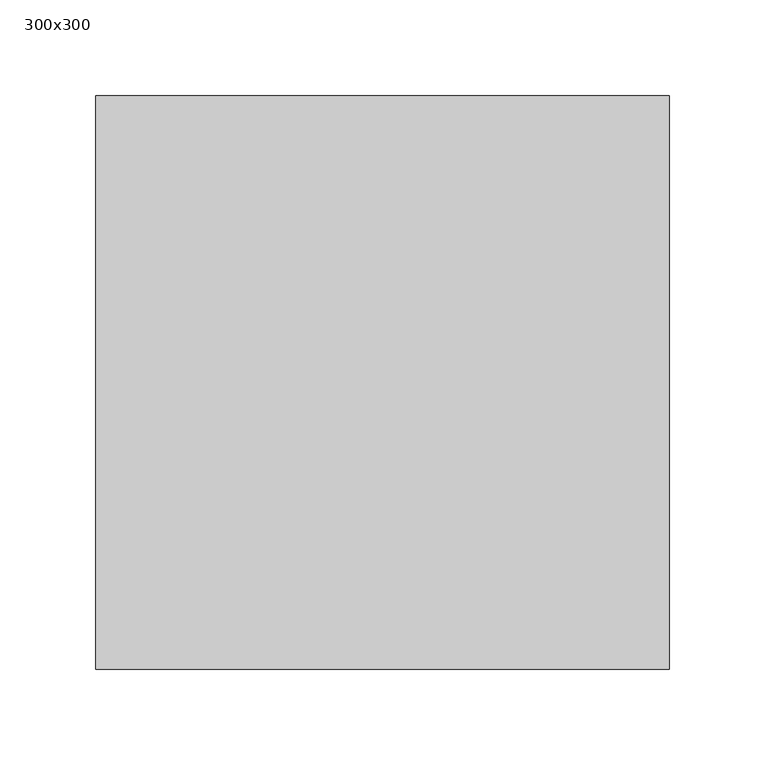
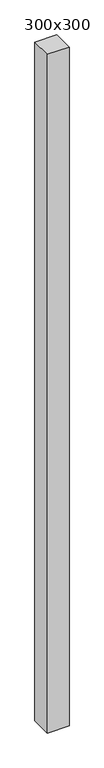
"""IFC4 building model written with IfcOpenShell, lengths in millimetres: column geometry, 300x300."""

from ifc_helpers import new_model, si_unit, frame, origin, place, context, project, spatial, polyline, outline, extrude, source, transform, mapped, element, save


def column_300x300_84cb1d97(model_context):
    return source(origin(), model_context, "Body", "SweptSolid", [
        extrude(outline(polyline([(150.0, 150.0), (150.0, -150.0), (-150.0, -150.0), (-150.0, 150.0), (150.0, 150.0)])), frame((0.0, 0.0, -3040.0), z_axis=(0.0, 0.0, 1.0), x_axis=(1.0, 0.0, 0.0)), (0.0, 0.0, 1.0), 9940.0),
    ])


if __name__ == "__main__":
    model = new_model("IFC4")
    model_context = context("Model", 3, world=origin())
    ifc_project = project(units=[si_unit("LENGTHUNIT", "METRE", prefix="MILLI")], contexts=[model_context])
    site = spatial("IfcSite", under=ifc_project)
    building = spatial("IfcBuilding", under=site)
    placement = place(None, origin())
    column_300x300_shape = column_300x300_84cb1d97(model_context)
    element("IfcColumn", 1, ObjectType="300x300", at=placement, inside=building, context=model_context, shape_type="MappedRepresentation", body=[
        mapped(column_300x300_shape, transform((0.0, 0.0, 0.0), x_axis=(1.0, 0.0, 0.0), y_axis=(0.0, 1.0, 0.0), z_axis=(0.0, 0.0, 1.0))),
    ])
    save(model, "model.ifc")
